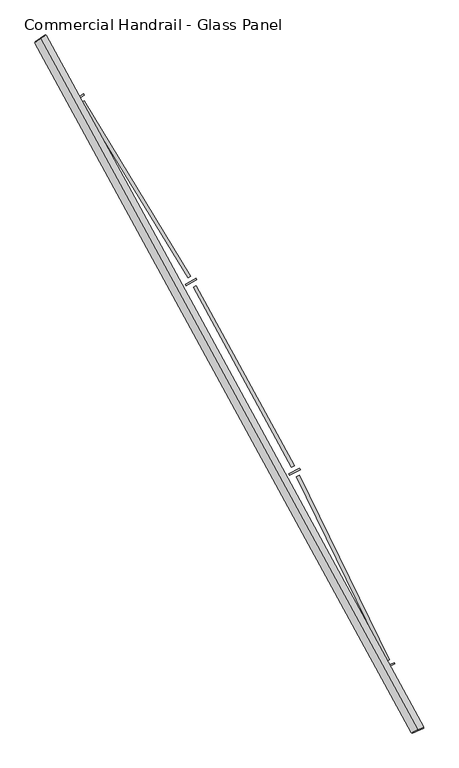
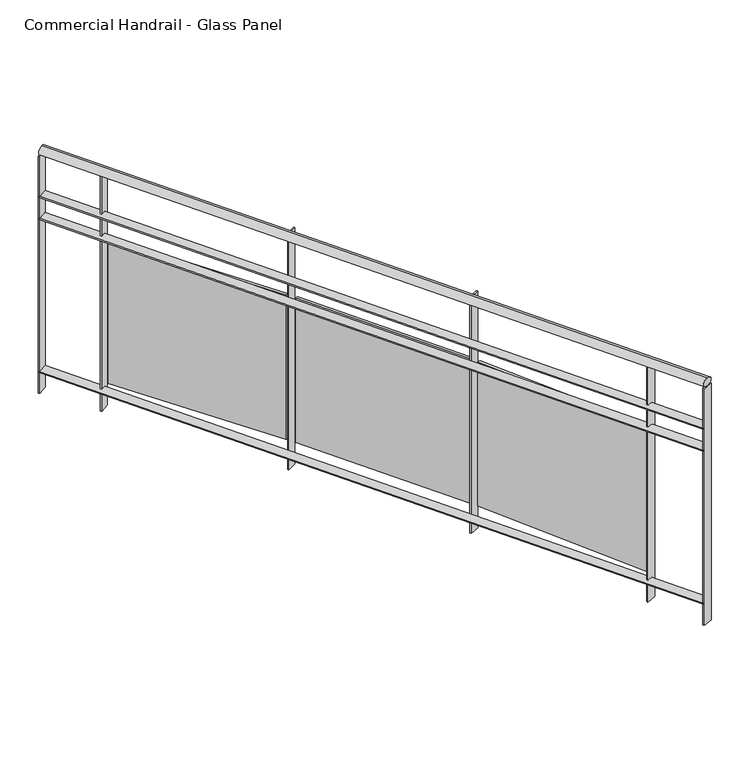
"""IFC4 building model written with IfcOpenShell, lengths in millimetres: railing geometry, Commercial Handrail - Glass Panel."""

from ifc_helpers import new_model, si_unit, point, frame, origin, place, context, project, spatial, polyline, circle_curve, ellipse_curve, trimmed, outline, extrude, source, transform, mapped, element, save
from ifc_brep_helpers import plane_surface, cylinder_surface, revolved_surface, advanced_brep


def commercial_handrail_glass_panel_37133ee5(model_context):
    return source(origin(), model_context, "Body", "SolidModel", [
        advanced_brep(
        [(152681.2087099, -42805.7971709, 33282.5), (154079.9485011, -45365.2391742, 33282.5), (154079.9485011, -45365.2391742, 33317.5), (152681.2087099, -42805.7971709, 33317.5)],
        [
            (0, 1, circle_curve(frame((138512.5563245, -52210.9198633, 33282.5), z_axis=(0.0, 0.0, -1.0), x_axis=(0.9154011077709024, 0.40254293173747885, 0.0)), 17006.0884179)),
            (1, 2, ellipse_curve(frame((154079.9485011, -45365.2391742, 33300.0), z_axis=(-0.402542931737485, 0.9154011077709, 0.0), x_axis=(0.9154011077708998, 0.4025429317374849, 0.0)), 25.0, 17.5)),
            (2, 3, circle_curve(frame((138512.5563245, -52210.9198633, 33317.5), z_axis=(0.0, 0.0, 1.0), x_axis=(0.9154011077709024, 0.40254293173747885, 0.0)), 17006.0884179)),
            (3, 0, ellipse_curve(frame((152681.2087099, -42805.7971709, 33300.0), z_axis=(0.5530444427532956, -0.8331517534877406, 0.0), x_axis=(0.8331517534877404, 0.5530444427532955, 0.0)), 25.0, 17.5)),
            (2, 1, ellipse_curve(frame((154079.9485011, -45365.2391742, 33300.0), z_axis=(-0.402542931737485, 0.9154011077709, 0.0), x_axis=(0.9154011077708998, 0.4025429317374849, 0.0)), 25.0, 17.5)),
            (0, 3, ellipse_curve(frame((152681.2087099, -42805.7971709, 33300.0), z_axis=(0.5530444427532956, -0.8331517534877406, 0.0), x_axis=(0.8331517534877404, 0.5530444427532955, 0.0)), 25.0, 17.5)),
        ],
        [
            revolved_surface(trimmed(ellipse_curve(frame((154079.9485011, -45365.2391742, 33300.0), z_axis=(0.40254293173747885, -0.9154011077709024, 0.0), x_axis=(0.0, 0.0, -1.0)), 17.5, 25.0), [point((154079.9485011, -45365.2391742, 33317.5))], [point((154079.9485011, -45365.2391742, 33282.5))], True, "CARTESIAN"), (138512.5563245, -52210.9198633, 33300.0), (0.0, 0.0, 1.0)),
            revolved_surface(trimmed(ellipse_curve(frame((154079.9485011, -45365.2391742, 33300.0), z_axis=(0.40254293173747885, -0.9154011077709024, 0.0), x_axis=(0.0, 0.0, -1.0)), 17.5, 25.0), [point((154079.9485011, -45365.2391742, 33282.5))], [point((154079.9485011, -45365.2391742, 33317.5))], True, "CARTESIAN"), (138512.5563245, -52210.9198633, 33300.0), (0.0, 0.0, 1.0)),
            plane_surface(frame((154079.9485011, -45365.2391742, 33300.0), z_axis=(0.4025429317374789, -0.9154011077709026, 0.0), x_axis=(0.9154011077709026, 0.4025429317374789, 0.0))),
            plane_surface(frame((152681.2087099, -42805.7971709, 33300.0), z_axis=(-0.5530444427532946, 0.8331517534877412, 0.0), x_axis=(0.8331517534877412, 0.5530444427532946, 0.0))),
        ],
        [
            (0, [[1, 2, 3, 4]]),
            (1, [[-3, 5, -1, 6]]),
            (2, [[-2, -5]]),
            (3, [[-6, -4]]),
        ],
    ),
        advanced_brep(
        [(152662.4627954, -42818.2406708, 33100.0), (154059.3519762, -45374.2963902, 33100.0), (154100.545026, -45356.1819583, 33100.0), (152699.9546243, -42793.3536709, 33100.0), (152662.4627954, -42818.2406708, 33094.0), (154059.3519762, -45374.2963902, 33094.0), (152699.9546243, -42793.3536709, 33094.0), (154100.545026, -45356.1819583, 33094.0)],
        [
            (0, 1, circle_curve(frame((138512.5563245, -52210.9198633, 33100.0), z_axis=(0.0, 0.0, -1.0), x_axis=(0.9154011077709024, 0.40254293173747885, 0.0)), 16983.5884179)),
            (1, 2),
            (2, 3, circle_curve(frame((138512.5563245, -52210.9198633, 33100.0), z_axis=(0.0, 0.0, 1.0), x_axis=(0.9154011077709024, 0.40254293173747885, 0.0)), 17028.5884179)),
            (3, 0),
            (4, 5, circle_curve(frame((138512.5563245, -52210.9198633, 33094.0), z_axis=(0.0, 0.0, -1.0), x_axis=(0.9154011077709024, 0.40254293173747885, 0.0)), 16983.5884179)),
            (5, 1),
            (0, 4),
            (6, 7, circle_curve(frame((138512.5563245, -52210.9198633, 33094.0), z_axis=(0.0, 0.0, -1.0), x_axis=(0.9154011077709024, 0.40254293173747885, 0.0)), 17028.5884179)),
            (7, 5),
            (4, 6),
            (2, 7),
            (6, 3),
        ],
        [
            plane_surface(frame((138512.5563245, -52210.9198633, 33100.0), z_axis=(0.0, 0.0, 1.0000000000000002), x_axis=(0.9154011077709026, 0.4025429317374789, 0.0))),
            revolved_surface(polyline([(154059.35197617073, -45374.296390135845, 33100.0), (154059.35197617073, -45374.296390135845, 33094.0)]), (138512.5563245, -52210.9198633, 33100.0), (0.0, 0.0, 1.0)),
            plane_surface(frame((138512.5563245, -52210.9198633, 33094.0), z_axis=(0.0, 0.0, -1.0000000000000002), x_axis=(0.9154011077709026, 0.4025429317374789, 0.0))),
            cylinder_surface(frame((138512.5563245, -52210.9198633, 33100.0), z_axis=(0.0, 0.0, 1.0), x_axis=(0.9154011077709024, 0.40254293173747885, 0.0)), 17028.5884179),
            plane_surface(frame((154079.9485011, -45365.2391742, 33100.0), z_axis=(0.4025429317374789, -0.9154011077709026, 0.0), x_axis=(0.9154011077709026, 0.4025429317374789, 0.0))),
            plane_surface(frame((152681.2087099, -42805.7971709, 33100.0), z_axis=(-0.5530444427532946, 0.8331517534877412, 0.0), x_axis=(0.8331517534877412, 0.5530444427532946, 0.0))),
        ],
        [
            (0, [[1, 2, 3, 4]]),
            (1, [[5, 6, -1, 7]]),
            (2, [[8, 9, -5, 10]]),
            (3, [[-3, 11, -8, 12]]),
            (4, [[-2, -6, -9, -11]]),
            (5, [[-12, -10, -7, -4]]),
        ],
    ),
        advanced_brep(
        [(152662.4627954, -42818.2406708, 33000.0), (154059.3519762, -45374.2963902, 33000.0), (154100.545026, -45356.1819583, 33000.0), (152699.9546243, -42793.3536709, 33000.0), (152662.4627954, -42818.2406708, 32994.0), (154059.3519762, -45374.2963902, 32994.0), (152699.9546243, -42793.3536709, 32994.0), (154100.545026, -45356.1819583, 32994.0)],
        [
            (0, 1, circle_curve(frame((138512.5563245, -52210.9198633, 33000.0), z_axis=(0.0, 0.0, -1.0), x_axis=(0.9154011077709024, 0.40254293173747885, 0.0)), 16983.5884179)),
            (1, 2),
            (2, 3, circle_curve(frame((138512.5563245, -52210.9198633, 33000.0), z_axis=(0.0, 0.0, 1.0), x_axis=(0.9154011077709024, 0.40254293173747885, 0.0)), 17028.5884179)),
            (3, 0),
            (4, 5, circle_curve(frame((138512.5563245, -52210.9198633, 32994.0), z_axis=(0.0, 0.0, -1.0), x_axis=(0.9154011077709024, 0.40254293173747885, 0.0)), 16983.5884179)),
            (5, 1),
            (0, 4),
            (6, 7, circle_curve(frame((138512.5563245, -52210.9198633, 32994.0), z_axis=(0.0, 0.0, -1.0), x_axis=(0.9154011077709024, 0.40254293173747885, 0.0)), 17028.5884179)),
            (7, 5),
            (4, 6),
            (2, 7),
            (6, 3),
        ],
        [
            plane_surface(frame((138512.5563245, -52210.9198633, 33000.0), z_axis=(0.0, 0.0, 1.0000000000000002), x_axis=(0.9154011077709026, 0.4025429317374789, 0.0))),
            revolved_surface(polyline([(154059.35197617073, -45374.296390135845, 33000.0), (154059.35197617073, -45374.296390135845, 32994.0)]), (138512.5563245, -52210.9198633, 33000.0), (0.0, 0.0, 1.0)),
            plane_surface(frame((138512.5563245, -52210.9198633, 32994.0), z_axis=(0.0, 0.0, -1.0000000000000002), x_axis=(0.9154011077709026, 0.4025429317374789, 0.0))),
            cylinder_surface(frame((138512.5563245, -52210.9198633, 33000.0), z_axis=(0.0, 0.0, 1.0), x_axis=(0.9154011077709024, 0.40254293173747885, 0.0)), 17028.5884179),
            plane_surface(frame((154079.9485011, -45365.2391742, 33000.0), z_axis=(0.4025429317374789, -0.9154011077709026, 0.0), x_axis=(0.9154011077709026, 0.4025429317374789, 0.0))),
            plane_surface(frame((152681.2087099, -42805.7971709, 33000.0), z_axis=(-0.5530444427532946, 0.8331517534877412, 0.0), x_axis=(0.8331517534877412, 0.5530444427532946, 0.0))),
        ],
        [
            (0, [[1, 2, 3, 4]]),
            (1, [[5, 6, -1, 7]]),
            (2, [[8, 9, -5, 10]]),
            (3, [[-3, 11, -8, 12]]),
            (4, [[-2, -6, -9, -11]]),
            (5, [[-12, -10, -7, -4]]),
        ],
    ),
        advanced_brep(
        [(152662.4627954, -42818.2406708, 32300.0), (154059.3519762, -45374.2963902, 32300.0), (154100.545026, -45356.1819583, 32300.0), (152699.9546243, -42793.3536709, 32300.0), (152662.4627954, -42818.2406708, 32294.0), (154059.3519762, -45374.2963902, 32294.0), (152699.9546243, -42793.3536709, 32294.0), (154100.545026, -45356.1819583, 32294.0)],
        [
            (0, 1, circle_curve(frame((138512.5563245, -52210.9198633, 32300.0), z_axis=(0.0, 0.0, -1.0), x_axis=(0.9154011077709024, 0.40254293173747885, 0.0)), 16983.5884179)),
            (1, 2),
            (2, 3, circle_curve(frame((138512.5563245, -52210.9198633, 32300.0), z_axis=(0.0, 0.0, 1.0), x_axis=(0.9154011077709024, 0.40254293173747885, 0.0)), 17028.5884179)),
            (3, 0),
            (4, 5, circle_curve(frame((138512.5563245, -52210.9198633, 32294.0), z_axis=(0.0, 0.0, -1.0), x_axis=(0.9154011077709024, 0.40254293173747885, 0.0)), 16983.5884179)),
            (5, 1),
            (0, 4),
            (6, 7, circle_curve(frame((138512.5563245, -52210.9198633, 32294.0), z_axis=(0.0, 0.0, -1.0), x_axis=(0.9154011077709024, 0.40254293173747885, 0.0)), 17028.5884179)),
            (7, 5),
            (4, 6),
            (2, 7),
            (6, 3),
        ],
        [
            plane_surface(frame((138512.5563245, -52210.9198633, 32300.0), z_axis=(0.0, 0.0, 1.0000000000000002), x_axis=(0.9154011077709026, 0.4025429317374789, 0.0))),
            revolved_surface(polyline([(154059.35197617073, -45374.296390135845, 32300.0), (154059.35197617073, -45374.296390135845, 32294.0)]), (138512.5563245, -52210.9198633, 32300.0), (0.0, 0.0, 1.0)),
            plane_surface(frame((138512.5563245, -52210.9198633, 32294.0), z_axis=(0.0, 0.0, -1.0000000000000002), x_axis=(0.9154011077709026, 0.4025429317374789, 0.0))),
            cylinder_surface(frame((138512.5563245, -52210.9198633, 32300.0), z_axis=(0.0, 0.0, 1.0), x_axis=(0.9154011077709024, 0.40254293173747885, 0.0)), 17028.5884179),
            plane_surface(frame((154079.9485011, -45365.2391742, 32300.0), z_axis=(0.4025429317374789, -0.9154011077709026, 0.0), x_axis=(0.9154011077709026, 0.4025429317374789, 0.0))),
            plane_surface(frame((152681.2087099, -42805.7971709, 32300.0), z_axis=(-0.5530444427532946, 0.8331517534877412, 0.0), x_axis=(0.8331517534877412, 0.5530444427532946, 0.0))),
        ],
        [
            (0, [[1, 2, 3, 4]]),
            (1, [[5, 6, -1, 7]]),
            (2, [[8, 9, -5, 10]]),
            (3, [[-3, 11, -8, 12]]),
            (4, [[-2, -6, -9, -11]]),
            (5, [[-12, -10, -7, -4]]),
        ],
    ),
        extrude(outline(polyline([(152843.9746071, -43014.0028518), (152806.1064717, -43038.3134324), (152802.865061, -43033.2643477), (152840.7331963, -43008.9537671), (152843.9746071, -43014.0028518)])), frame((0.0, 0.0, 32200.0), z_axis=(0.0, 0.0, 1.0), x_axis=(1.0, 0.0, 0.0)), (0.0, 0.0, 1.0), 1082.1192282),
        extrude(outline(polyline([(153228.1233935, -43690.3863087), (152832.6997466, -43041.3561558), (152842.9475911, -43035.1126245), (153238.371238, -43684.1427775), (153228.1233935, -43690.3863087)])), frame((0.0, 0.0, 32320.0), z_axis=(0.0, 0.0, 1.0), x_axis=(1.0, 0.0, 0.0)), (0.0, 0.0, 1.0), 660.0),
        extrude(outline(polyline([(153260.6017897, -43698.1067288), (153221.6323507, -43720.6096803), (153218.6319572, -43715.4137551), (153257.6013961, -43692.9108036), (153260.6017897, -43698.1067288)])), frame((0.0, 0.0, 32200.0), z_axis=(0.0, 0.0, 1.0), x_axis=(1.0, 0.0, 0.0)), (0.0, 0.0, 1.0), 1082.1192282),
        extrude(outline(polyline([(153612.5189238, -44391.8063767), (153248.0531233, -43724.8995764), (153258.5832307, -43719.1448533), (153623.0490312, -44386.0516536), (153612.5189238, -44391.8063767)])), frame((0.0, 0.0, 32320.0), z_axis=(0.0, 0.0, 1.0), x_axis=(1.0, 0.0, 0.0)), (0.0, 0.0, 1.0), 660.0),
        extrude(outline(polyline([(153644.5983402, -44401.0455404), (153604.6138191, -44421.6910742), (153601.8610812, -44416.3598047), (153641.8456024, -44395.7142709), (153644.5983402, -44401.0455404)])), frame((0.0, 0.0, 32200.0), z_axis=(0.0, 0.0, 1.0), x_axis=(1.0, 0.0, 0.0)), (0.0, 0.0, 1.0), 1082.1192282),
        extrude(outline(polyline([(153963.5051916, -45110.5265416), (153630.8036324, -44427.2186516), (153641.5927043, -44421.9654691), (153974.2942635, -45105.273359), (153963.5051916, -45110.5265416)])), frame((0.0, 0.0, 32320.0), z_axis=(0.0, 0.0, 1.0), x_axis=(1.0, 0.0, 0.0)), (0.0, 0.0, 1.0), 660.0),
        extrude(outline(polyline([(153995.1146513, -45121.2640068), (153954.2035152, -45140.0064439), (153951.7045236, -45134.5516257), (153992.6156597, -45115.8091887), (153995.1146513, -45121.2640068)])), frame((0.0, 0.0, 32200.0), z_axis=(0.0, 0.0, 1.0), x_axis=(1.0, 0.0, 0.0)), (0.0, 0.0, 1.0), 1082.1192282),
        extrude(outline(polyline([(152701.6137576, -42795.8531262), (152664.1219287, -42820.7401261), (152660.8036621, -42815.7412156), (152698.295491, -42790.8542156), (152701.6137576, -42795.8531262)])), frame((0.0, 0.0, 32200.0), z_axis=(0.0, 0.0, 1.0), x_axis=(1.0, 0.0, 0.0)), (0.0, 0.0, 1.0), 1082.1192282),
        extrude(outline(polyline([(154101.7526548, -45358.9281616), (154060.559605, -45377.0425935), (154058.1443474, -45371.5501869), (154099.3373972, -45353.4357549), (154101.7526548, -45358.9281616)])), frame((0.0, 0.0, 32200.0), z_axis=(0.0, 0.0, 1.0), x_axis=(1.0, 0.0, 0.0)), (0.0, 0.0, 1.0), 1082.1192282),
    ])


if __name__ == "__main__":
    model = new_model("IFC4")
    model_context = context("Model", 3, world=origin())
    ifc_project = project(units=[si_unit("LENGTHUNIT", "METRE", prefix="MILLI")], contexts=[model_context])
    site = spatial("IfcSite", under=ifc_project)
    building = spatial("IfcBuilding", under=site)
    placement = place(None, origin())
    commercial_handrail_glass_panel_shape = commercial_handrail_glass_panel_37133ee5(model_context)
    element("IfcRailing", 1, ObjectType="Commercial Handrail - Glass Panel", at=placement, inside=building, context=model_context, shape_type="MappedRepresentation", body=[
        mapped(commercial_handrail_glass_panel_shape, transform((0.0, 0.0, 0.0), x_axis=(1.0, 0.0, 0.0), y_axis=(0.0, 1.0, 0.0), z_axis=(0.0, 0.0, 1.0))),
    ])
    save(model, "model.ifc")
